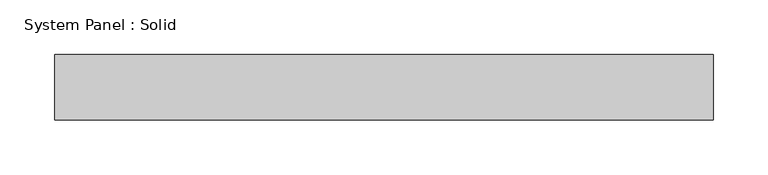
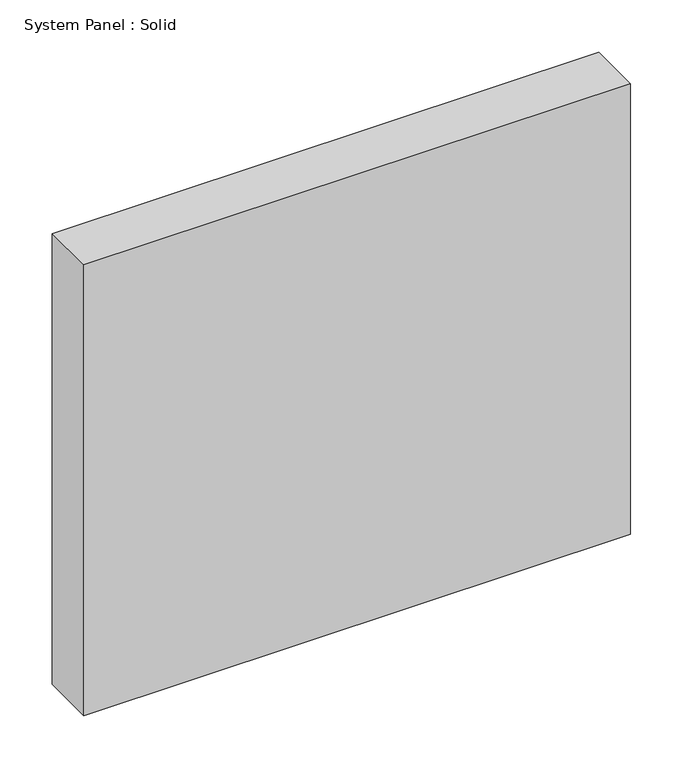
"""IFC4 building model written with IfcOpenShell, lengths in millimetres: plate geometry, System Panel : Solid."""

import ifcopenshell
import ifcopenshell.guid

model = None  # the IFC model being written
_history = None  # IfcOwnerHistory: only IFC2X3 demands one
_inside = {}  # id of a spatial element -> (the spatial element, [elements in it])
_under = {}  # id of a project, library or spatial element -> (it, [spatial elements below it])
_declared = {}  # id of a project -> (the project, [libraries it declares])
_typed = {}  # id of a type object -> (the type object, [elements of that type])
_made_of = {}  # id of a material, layer set ... -> (it, [elements and type objects made of it])


def new_model(schema):
    """Start an empty IFC model of exactly this schema.

    Asked for "IFC4X3", IfcOpenShell would pick the latest addendum, in which some entities
    have other attributes; the version numbers below select the first issue.
    IFC2X3 requires an IfcOwnerHistory on every rooted entity: one is made here for all.
    """
    global model, _history
    if schema == "IFC4X3":
        model = ifcopenshell.file(schema_version=(4, 3, 0, 0))
    else:
        model = ifcopenshell.file(schema=schema)
    _inside.clear()
    _under.clear()
    _declared.clear()
    _typed.clear()
    _made_of.clear()
    _history = None
    if model.schema == "IFC2X3":
        org = make("IfcOrganization", Name="unknown")
        user = make(
            "IfcPersonAndOrganization",
            ThePerson=make("IfcPerson", FamilyName="unknown"),
            TheOrganization=org,
        )
        app = make(
            "IfcApplication",
            ApplicationDeveloper=org,
            Version="unknown",
            ApplicationFullName="unknown",
            ApplicationIdentifier="unknown",
        )
        _history = make(
            "IfcOwnerHistory",
            OwningUser=user,
            OwningApplication=app,
            ChangeAction="ADDED",
            CreationDate=0,
        )
    return model


def make(cls, **values):
    """One entity of the class cls with the attributes given. An attribute that is None is left unset."""
    return model.create_entity(
        cls, **{name: value for name, value in values.items() if value is not None}
    )


def rooted(cls, **values):
    """An entity with a GlobalId (a new one), such as an element, a storey or a relation."""
    return make(cls, GlobalId=ifcopenshell.guid.new(), OwnerHistory=_history, **values)


def si_unit(unit_type, name, prefix=None):
    """IfcSIUnit, for example si_unit("LENGTHUNIT", "METRE", prefix="MILLI")."""
    return make("IfcSIUnit", UnitType=unit_type, Prefix=prefix, Name=name)


def assignment(units):
    """IfcUnitAssignment: the units of a project."""
    return None if units is None else make("IfcUnitAssignment", Units=units)


def point(xyz):
    """IfcCartesianPoint."""
    return None if xyz is None else make("IfcCartesianPoint", Coordinates=xyz)


def direction(xyz):
    """IfcDirection."""
    return None if xyz is None else make("IfcDirection", DirectionRatios=xyz)


def frame(location, z_axis=None, x_axis=None):
    """IfcAxis2Placement3D, a coordinate frame: its origin and axes. An axis left out is left unset."""
    return make(
        "IfcAxis2Placement3D",
        Location=point(location),
        Axis=direction(z_axis),
        RefDirection=direction(x_axis),
    )


def origin():
    """The frame at (0, 0, 0) with its axes left unset."""
    return frame((0.0, 0.0, 0.0))


def origin_with_axes():
    """The frame at (0, 0, 0) with the z axis (0, 0, 1) and the x axis (1, 0, 0) written out."""
    return frame((0.0, 0.0, 0.0), z_axis=(0.0, 0.0, 1.0), x_axis=(1.0, 0.0, 0.0))


def place(relative_to, where):
    """IfcLocalPlacement: puts the frame where relative to a parent placement (None: the world)."""
    return make(
        "IfcLocalPlacement", PlacementRelTo=relative_to, RelativePlacement=where
    )


def context(
    kind, dimensions, precision=None, world=None, true_north=None, identifier=None
):
    """IfcGeometricRepresentationContext, for example the 3D "Model" context."""
    return make(
        "IfcGeometricRepresentationContext",
        ContextIdentifier=identifier,
        ContextType=kind,
        CoordinateSpaceDimension=dimensions,
        Precision=precision,
        WorldCoordinateSystem=world,
        TrueNorth=true_north,
    )


def project(units=None, contexts=None):
    """IfcProject with its units and contexts."""
    return rooted(
        "IfcProject",
        Name="project",
        RepresentationContexts=contexts,
        UnitsInContext=assignment(units),
    )


def spatial(cls, under=None, at=None, **own):
    """A site, building, storey or space (cls), placed at a placement, below another one or the project."""
    s = rooted(cls, ObjectPlacement=at, **own)
    if under is not None:
        _under.setdefault(under.id(), (under, []))[1].append(s)
    return s


def polyline(points):
    """IfcPolyline through the points."""
    return make("IfcPolyline", Points=[point(p) for p in points])


def outline(outer, holes=None, kind="AREA"):
    """IfcArbitraryClosedProfileDef: a profile drawn as a closed curve; with holes, ...WithVoids."""
    if holes is None:
        return make("IfcArbitraryClosedProfileDef", ProfileType=kind, OuterCurve=outer)
    return make(
        "IfcArbitraryProfileDefWithVoids",
        ProfileType=kind,
        OuterCurve=outer,
        InnerCurves=holes,
    )


def extrude(swept, where, along, depth):
    """IfcExtrudedAreaSolid: the profile swept, set in the frame where, extruded along a direction by depth."""
    return make(
        "IfcExtrudedAreaSolid",
        SweptArea=swept,
        Position=where,
        ExtrudedDirection=direction(along),
        Depth=depth,
    )


def shape(context_of_items, identifier, shape_type, items):
    """IfcShapeRepresentation: the items that make up one representation, for example the "Body"."""
    return make(
        "IfcShapeRepresentation",
        ContextOfItems=context_of_items,
        RepresentationIdentifier=identifier,
        RepresentationType=shape_type,
        Items=items,
    )


def source(mapping_origin, context_of_items, identifier, shape_type, items):
    """IfcRepresentationMap: a shape defined once, which mapped items show again and again."""
    return make(
        "IfcRepresentationMap",
        MappingOrigin=mapping_origin,
        MappedRepresentation=shape(context_of_items, identifier, shape_type, items),
    )


def transform(
    local_origin,
    x_axis=None,
    y_axis=None,
    z_axis=None,
    scale=None,
    scale2=None,
    scale3=None,
    uniform=True,
):
    """IfcCartesianTransformationOperator3D, or its non-uniform kind. x_axis, y_axis, z_axis: its Axis1, 2, 3."""
    if uniform:
        return make(
            "IfcCartesianTransformationOperator3D",
            Axis1=direction(x_axis),
            Axis2=direction(y_axis),
            LocalOrigin=point(local_origin),
            Scale=scale,
            Axis3=direction(z_axis),
        )
    return make(
        "IfcCartesianTransformationOperator3DnonUniform",
        Axis1=direction(x_axis),
        Axis2=direction(y_axis),
        LocalOrigin=point(local_origin),
        Scale=scale,
        Axis3=direction(z_axis),
        Scale2=scale2,
        Scale3=scale3,
    )


def mapped(mapping_source, mapping_target):
    """IfcMappedItem: shows the shape of a source again, moved by a transform."""
    return make(
        "IfcMappedItem", MappingSource=mapping_source, MappingTarget=mapping_target
    )


def made_of(thing, what):
    """Note that an element or type object is made of a material, layer set ...; save() writes the relation."""
    if what is not None:
        _made_of.setdefault(what.id(), (what, []))[1].append(thing)
    return thing


def element(
    cls,
    number,
    at=None,
    inside=None,
    cuts=None,
    type_object=None,
    material=None,
    context=None,
    identifier="Body",
    shape_type=None,
    held_by="IfcProductDefinitionShape",
    body=None,
    shapes=None,
    **own,
):
    """One element of the class cls, such as IfcWall. Its Tag is "e" and its number.

    at: its placement. inside: the storey or other place that contains it. cuts: it is an
    opening in that element (IfcRelVoidsElement). A single representation is given by context,
    identifier, shape_type and body (its items); several are given by shapes. held_by: the class
    of the entity that holds the representations. save() writes the other relations.
    """
    e = rooted(cls, Tag="e%d" % number, ObjectPlacement=at, **own)
    if body is not None:
        shapes = [shape(context, identifier, shape_type, body)]
    if shapes is not None:
        e.Representation = make(held_by, Representations=shapes)
    if inside is not None:
        _inside.setdefault(inside.id(), (inside, []))[1].append(e)
    if cuts is not None:
        rooted(
            "IfcRelVoidsElement", RelatingBuildingElement=cuts, RelatedOpeningElement=e
        )
    if type_object is not None:
        _typed.setdefault(type_object.id(), (type_object, []))[1].append(e)
    return made_of(e, material)


def aggregate(whole, parts):
    """IfcRelAggregates: a whole, such as a stair, and the parts it consists of."""
    return rooted("IfcRelAggregates", RelatingObject=whole, RelatedObjects=parts)


def save(model, path):
    """Write the relations noted so far, then the file.

    IfcRelAggregates (storeys below a building ...), IfcRelContainedInSpatialStructure (elements
    in a storey), IfcRelDefinesByType, IfcRelAssociatesMaterial and IfcRelDeclares: one each for
    every whole, place, type object, material and project.
    """
    for whole, parts in _under.values():
        aggregate(whole, parts)
    for where, things in _inside.values():
        rooted(
            "IfcRelContainedInSpatialStructure",
            RelatedElements=things,
            RelatingStructure=where,
        )
    for kind, things in _typed.values():
        rooted("IfcRelDefinesByType", RelatedObjects=things, RelatingType=kind)
    for what, things in _made_of.values():
        rooted("IfcRelAssociatesMaterial", RelatedObjects=things, RelatingMaterial=what)
    for by, libraries in _declared.values():
        rooted("IfcRelDeclares", RelatingContext=by, RelatedDefinitions=libraries)
    model.write(path)


def system_panel_solid_ce321b71(model_context):
    return source(origin(), model_context, "Body", "SweptSolid", [
        extrude(outline(polyline([(301.25, -49.5), (-301.25, -49.5), (-301.25, 10.5), (301.25, 10.5), (301.25, -49.5)])), origin_with_axes(), (0.0, 0.0, 1.0), 525.0),
    ])


if __name__ == "__main__":
    model = new_model("IFC4")
    model_context = context("Model", 3, world=origin())
    ifc_project = project(units=[si_unit("LENGTHUNIT", "METRE", prefix="MILLI")], contexts=[model_context])
    site = spatial("IfcSite", under=ifc_project)
    building = spatial("IfcBuilding", under=site)
    placement = place(None, origin())
    system_panel_solid_shape = system_panel_solid_ce321b71(model_context)
    element("IfcPlate", 1, ObjectType="System Panel : Solid", at=placement, inside=building, context=model_context, shape_type="MappedRepresentation", body=[
        mapped(system_panel_solid_shape, transform((0.0, 0.0, 0.0), x_axis=(1.0, 0.0, 0.0), y_axis=(0.0, 1.0, 0.0), z_axis=(0.0, 0.0, 1.0))),
    ])
    save(model, "model.ifc")
